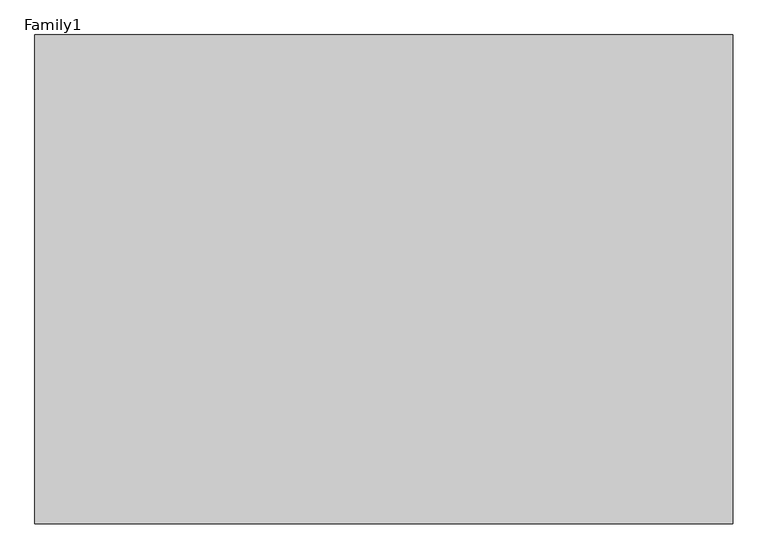
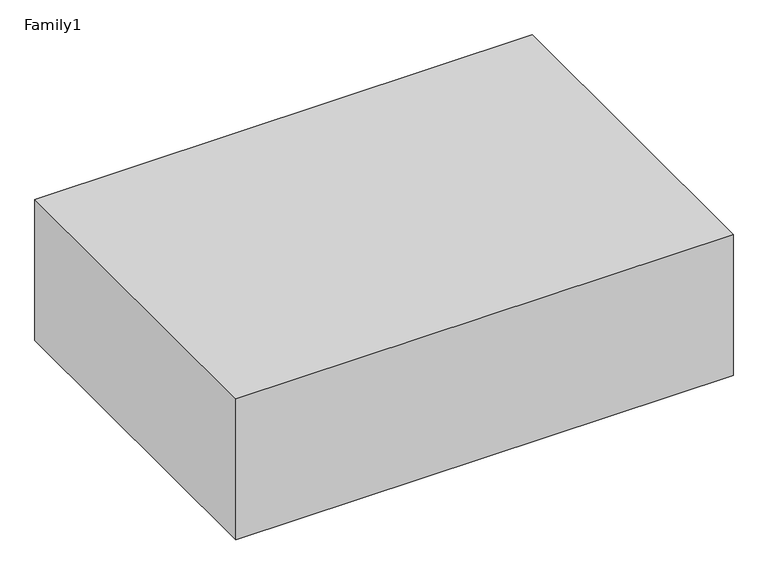
"""IFC4 building model written with IfcOpenShell, lengths in millimetres: proxy geometry, Family1."""

import ifcopenshell
import ifcopenshell.guid

model = None  # the IFC model being written
_history = None  # IfcOwnerHistory: only IFC2X3 demands one
_inside = {}  # id of a spatial element -> (the spatial element, [elements in it])
_under = {}  # id of a project, library or spatial element -> (it, [spatial elements below it])
_declared = {}  # id of a project -> (the project, [libraries it declares])
_typed = {}  # id of a type object -> (the type object, [elements of that type])
_made_of = {}  # id of a material, layer set ... -> (it, [elements and type objects made of it])


def new_model(schema):
    """Start an empty IFC model of exactly this schema.

    Asked for "IFC4X3", IfcOpenShell would pick the latest addendum, in which some entities
    have other attributes; the version numbers below select the first issue.
    IFC2X3 requires an IfcOwnerHistory on every rooted entity: one is made here for all.
    """
    global model, _history
    if schema == "IFC4X3":
        model = ifcopenshell.file(schema_version=(4, 3, 0, 0))
    else:
        model = ifcopenshell.file(schema=schema)
    _inside.clear()
    _under.clear()
    _declared.clear()
    _typed.clear()
    _made_of.clear()
    _history = None
    if model.schema == "IFC2X3":
        org = make("IfcOrganization", Name="unknown")
        user = make(
            "IfcPersonAndOrganization",
            ThePerson=make("IfcPerson", FamilyName="unknown"),
            TheOrganization=org,
        )
        app = make(
            "IfcApplication",
            ApplicationDeveloper=org,
            Version="unknown",
            ApplicationFullName="unknown",
            ApplicationIdentifier="unknown",
        )
        _history = make(
            "IfcOwnerHistory",
            OwningUser=user,
            OwningApplication=app,
            ChangeAction="ADDED",
            CreationDate=0,
        )
    return model


def make(cls, **values):
    """One entity of the class cls with the attributes given. An attribute that is None is left unset."""
    return model.create_entity(
        cls, **{name: value for name, value in values.items() if value is not None}
    )


def rooted(cls, **values):
    """An entity with a GlobalId (a new one), such as an element, a storey or a relation."""
    return make(cls, GlobalId=ifcopenshell.guid.new(), OwnerHistory=_history, **values)


def si_unit(unit_type, name, prefix=None):
    """IfcSIUnit, for example si_unit("LENGTHUNIT", "METRE", prefix="MILLI")."""
    return make("IfcSIUnit", UnitType=unit_type, Prefix=prefix, Name=name)


def assignment(units):
    """IfcUnitAssignment: the units of a project."""
    return None if units is None else make("IfcUnitAssignment", Units=units)


def point(xyz):
    """IfcCartesianPoint."""
    return None if xyz is None else make("IfcCartesianPoint", Coordinates=xyz)


def direction(xyz):
    """IfcDirection."""
    return None if xyz is None else make("IfcDirection", DirectionRatios=xyz)


def frame(location, z_axis=None, x_axis=None):
    """IfcAxis2Placement3D, a coordinate frame: its origin and axes. An axis left out is left unset."""
    return make(
        "IfcAxis2Placement3D",
        Location=point(location),
        Axis=direction(z_axis),
        RefDirection=direction(x_axis),
    )


def origin():
    """The frame at (0, 0, 0) with its axes left unset."""
    return frame((0.0, 0.0, 0.0))


def place(relative_to, where):
    """IfcLocalPlacement: puts the frame where relative to a parent placement (None: the world)."""
    return make(
        "IfcLocalPlacement", PlacementRelTo=relative_to, RelativePlacement=where
    )


def context(
    kind, dimensions, precision=None, world=None, true_north=None, identifier=None
):
    """IfcGeometricRepresentationContext, for example the 3D "Model" context."""
    return make(
        "IfcGeometricRepresentationContext",
        ContextIdentifier=identifier,
        ContextType=kind,
        CoordinateSpaceDimension=dimensions,
        Precision=precision,
        WorldCoordinateSystem=world,
        TrueNorth=true_north,
    )


def project(units=None, contexts=None):
    """IfcProject with its units and contexts."""
    return rooted(
        "IfcProject",
        Name="project",
        RepresentationContexts=contexts,
        UnitsInContext=assignment(units),
    )


def spatial(cls, under=None, at=None, **own):
    """A site, building, storey or space (cls), placed at a placement, below another one or the project."""
    s = rooted(cls, ObjectPlacement=at, **own)
    if under is not None:
        _under.setdefault(under.id(), (under, []))[1].append(s)
    return s


def polyline(points):
    """IfcPolyline through the points."""
    return make("IfcPolyline", Points=[point(p) for p in points])


def outline(outer, holes=None, kind="AREA"):
    """IfcArbitraryClosedProfileDef: a profile drawn as a closed curve; with holes, ...WithVoids."""
    if holes is None:
        return make("IfcArbitraryClosedProfileDef", ProfileType=kind, OuterCurve=outer)
    return make(
        "IfcArbitraryProfileDefWithVoids",
        ProfileType=kind,
        OuterCurve=outer,
        InnerCurves=holes,
    )


def extrude(swept, where, along, depth):
    """IfcExtrudedAreaSolid: the profile swept, set in the frame where, extruded along a direction by depth."""
    return make(
        "IfcExtrudedAreaSolid",
        SweptArea=swept,
        Position=where,
        ExtrudedDirection=direction(along),
        Depth=depth,
    )


def shape(context_of_items, identifier, shape_type, items):
    """IfcShapeRepresentation: the items that make up one representation, for example the "Body"."""
    return make(
        "IfcShapeRepresentation",
        ContextOfItems=context_of_items,
        RepresentationIdentifier=identifier,
        RepresentationType=shape_type,
        Items=items,
    )


def source(mapping_origin, context_of_items, identifier, shape_type, items):
    """IfcRepresentationMap: a shape defined once, which mapped items show again and again."""
    return make(
        "IfcRepresentationMap",
        MappingOrigin=mapping_origin,
        MappedRepresentation=shape(context_of_items, identifier, shape_type, items),
    )


def transform(
    local_origin,
    x_axis=None,
    y_axis=None,
    z_axis=None,
    scale=None,
    scale2=None,
    scale3=None,
    uniform=True,
):
    """IfcCartesianTransformationOperator3D, or its non-uniform kind. x_axis, y_axis, z_axis: its Axis1, 2, 3."""
    if uniform:
        return make(
            "IfcCartesianTransformationOperator3D",
            Axis1=direction(x_axis),
            Axis2=direction(y_axis),
            LocalOrigin=point(local_origin),
            Scale=scale,
            Axis3=direction(z_axis),
        )
    return make(
        "IfcCartesianTransformationOperator3DnonUniform",
        Axis1=direction(x_axis),
        Axis2=direction(y_axis),
        LocalOrigin=point(local_origin),
        Scale=scale,
        Axis3=direction(z_axis),
        Scale2=scale2,
        Scale3=scale3,
    )


def mapped(mapping_source, mapping_target):
    """IfcMappedItem: shows the shape of a source again, moved by a transform."""
    return make(
        "IfcMappedItem", MappingSource=mapping_source, MappingTarget=mapping_target
    )


def made_of(thing, what):
    """Note that an element or type object is made of a material, layer set ...; save() writes the relation."""
    if what is not None:
        _made_of.setdefault(what.id(), (what, []))[1].append(thing)
    return thing


def element(
    cls,
    number,
    at=None,
    inside=None,
    cuts=None,
    type_object=None,
    material=None,
    context=None,
    identifier="Body",
    shape_type=None,
    held_by="IfcProductDefinitionShape",
    body=None,
    shapes=None,
    **own,
):
    """One element of the class cls, such as IfcWall. Its Tag is "e" and its number.

    at: its placement. inside: the storey or other place that contains it. cuts: it is an
    opening in that element (IfcRelVoidsElement). A single representation is given by context,
    identifier, shape_type and body (its items); several are given by shapes. held_by: the class
    of the entity that holds the representations. save() writes the other relations.
    """
    e = rooted(cls, Tag="e%d" % number, ObjectPlacement=at, **own)
    if body is not None:
        shapes = [shape(context, identifier, shape_type, body)]
    if shapes is not None:
        e.Representation = make(held_by, Representations=shapes)
    if inside is not None:
        _inside.setdefault(inside.id(), (inside, []))[1].append(e)
    if cuts is not None:
        rooted(
            "IfcRelVoidsElement", RelatingBuildingElement=cuts, RelatedOpeningElement=e
        )
    if type_object is not None:
        _typed.setdefault(type_object.id(), (type_object, []))[1].append(e)
    return made_of(e, material)


def aggregate(whole, parts):
    """IfcRelAggregates: a whole, such as a stair, and the parts it consists of."""
    return rooted("IfcRelAggregates", RelatingObject=whole, RelatedObjects=parts)


def save(model, path):
    """Write the relations noted so far, then the file.

    IfcRelAggregates (storeys below a building ...), IfcRelContainedInSpatialStructure (elements
    in a storey), IfcRelDefinesByType, IfcRelAssociatesMaterial and IfcRelDeclares: one each for
    every whole, place, type object, material and project.
    """
    for whole, parts in _under.values():
        aggregate(whole, parts)
    for where, things in _inside.values():
        rooted(
            "IfcRelContainedInSpatialStructure",
            RelatedElements=things,
            RelatingStructure=where,
        )
    for kind, things in _typed.values():
        rooted("IfcRelDefinesByType", RelatedObjects=things, RelatingType=kind)
    for what, things in _made_of.values():
        rooted("IfcRelAssociatesMaterial", RelatedObjects=things, RelatingMaterial=what)
    for by, libraries in _declared.values():
        rooted("IfcRelDeclares", RelatingContext=by, RelatedDefinitions=libraries)
    model.write(path)


def family1_aa286589(model_context):
    return source(origin(), model_context, "Body", "SweptSolid", [
        extrude(outline(polyline([(1000.0, 0.0), (0.0, 0.0), (0.0, 700.0), (1000.0, 700.0), (1000.0, 0.0)])), frame((0.0, 0.0, 25000.0), z_axis=(0.0, 0.0, 1.0), x_axis=(1.0, 0.0, 0.0)), (0.0, 0.0, 1.0), 300.0),
    ])


if __name__ == "__main__":
    model = new_model("IFC4")
    model_context = context("Model", 3, world=origin())
    ifc_project = project(units=[si_unit("LENGTHUNIT", "METRE", prefix="MILLI")], contexts=[model_context])
    site = spatial("IfcSite", under=ifc_project)
    building = spatial("IfcBuilding", under=site)
    placement = place(None, origin())
    family1_shape = family1_aa286589(model_context)
    element("IfcBuildingElementProxy", 1, Name="Family1", ObjectType="Family1", at=placement, inside=building, context=model_context, shape_type="MappedRepresentation", body=[
        mapped(family1_shape, transform((0.0, 0.0, 0.0), x_axis=(1.0, 0.0, 0.0), y_axis=(0.0, 1.0, 0.0), z_axis=(0.0, 0.0, 1.0))),
    ])
    save(model, "model.ifc")
